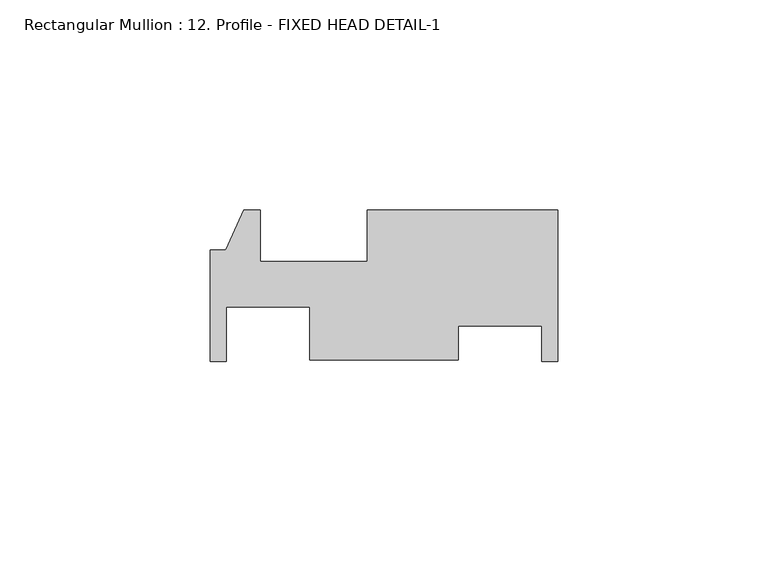
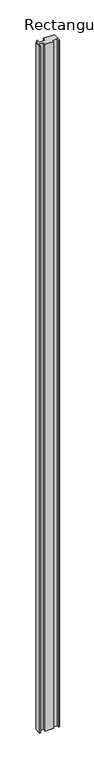
"""IFC4 building model written with IfcOpenShell, lengths in millimetres: member geometry, Rectangular Mullion : 12. Profile - FIXED HEAD DETAIL-1."""

from ifc_helpers import new_model, si_unit, frame, origin, place, context, project, spatial, polyline, outline, extrude, source, transform, mapped, element, save


def rectangular_mullion_12_profile_fixed_head_detail_1_2f61bb72(model_context):
    return source(origin(), model_context, "Body", "SweptSolid", [
        extrude(outline(polyline([(0.0, -19.3004768), (-3.7338, -19.3004768), (-3.7338, -10.8243182), (-23.5712, -10.8243182), (-23.5712, -18.9547752), (-58.9788, -18.9547752), (-58.9788, -6.3294642), (-78.8162, -6.3294642), (-78.8162, -19.3004768), (-82.55, -19.3004768), (-82.55, 7.1663232), (-78.9432, 7.1663232), (-74.6252, 16.6913232), (-70.7136, 16.6913232), (-70.7136, 4.4739232), (-45.3136, 4.4739232), (-45.3136, 16.6913232), (0.0, 16.6913232), (0.0, -19.3004768)])), frame((0.0, 0.0, -3048.0), z_axis=(0.0, 0.0, 1.0), x_axis=(1.0, 0.0, 0.0)), (0.0, 0.0, 1.0), 3048.0),
    ])


if __name__ == "__main__":
    model = new_model("IFC4")
    model_context = context("Model", 3, world=origin())
    ifc_project = project(units=[si_unit("LENGTHUNIT", "METRE", prefix="MILLI")], contexts=[model_context])
    site = spatial("IfcSite", under=ifc_project)
    building = spatial("IfcBuilding", under=site)
    placement = place(None, origin())
    rectangular_mullion_12_profile_fixed_head_detail_1_shape = rectangular_mullion_12_profile_fixed_head_detail_1_2f61bb72(model_context)
    element("IfcMember", 1, ObjectType="Rectangular Mullion : 12. Profile - FIXED HEAD DETAIL-1", at=placement, inside=building, context=model_context, shape_type="MappedRepresentation", body=[
        mapped(rectangular_mullion_12_profile_fixed_head_detail_1_shape, transform((0.0, 0.0, 0.0), x_axis=(1.0, 0.0, 0.0), y_axis=(0.0, 1.0, 0.0), z_axis=(0.0, 0.0, 1.0))),
    ])
    save(model, "model.ifc")
